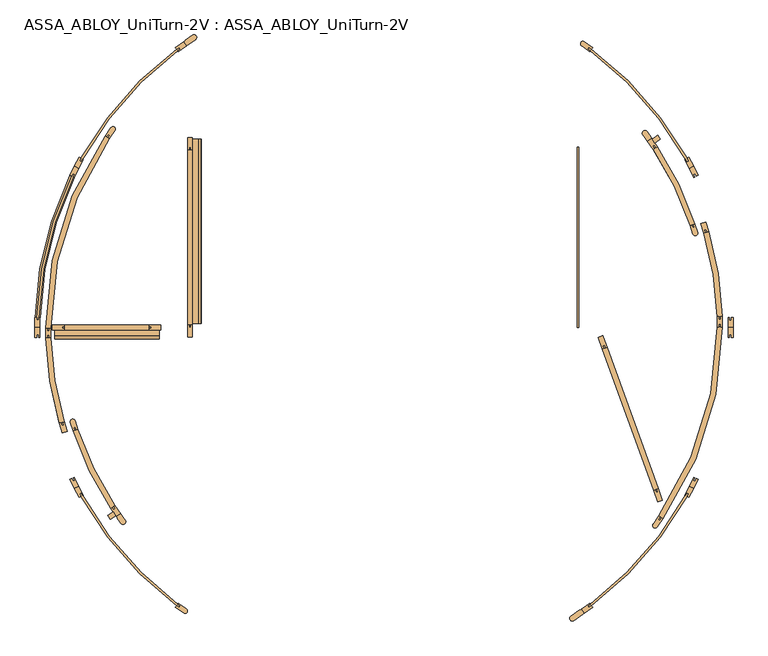
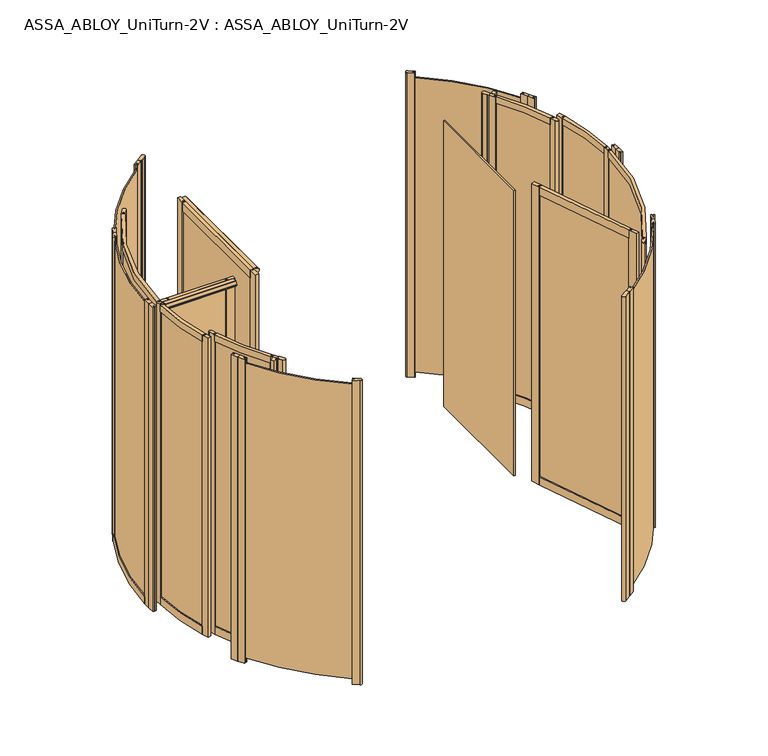
"""IFC4 building model written with IfcOpenShell, lengths in millimetres: door geometry, ASSA_ABLOY_UniTurn-2V : ASSA_ABLOY_UniTurn-2V."""

import ifcopenshell
import ifcopenshell.guid

model = None  # the IFC model being written
_history = None  # IfcOwnerHistory: only IFC2X3 demands one
_inside = {}  # id of a spatial element -> (the spatial element, [elements in it])
_under = {}  # id of a project, library or spatial element -> (it, [spatial elements below it])
_declared = {}  # id of a project -> (the project, [libraries it declares])
_typed = {}  # id of a type object -> (the type object, [elements of that type])
_made_of = {}  # id of a material, layer set ... -> (it, [elements and type objects made of it])


def new_model(schema):
    """Start an empty IFC model of exactly this schema.

    Asked for "IFC4X3", IfcOpenShell would pick the latest addendum, in which some entities
    have other attributes; the version numbers below select the first issue.
    IFC2X3 requires an IfcOwnerHistory on every rooted entity: one is made here for all.
    """
    global model, _history
    if schema == "IFC4X3":
        model = ifcopenshell.file(schema_version=(4, 3, 0, 0))
    else:
        model = ifcopenshell.file(schema=schema)
    _inside.clear()
    _under.clear()
    _declared.clear()
    _typed.clear()
    _made_of.clear()
    _history = None
    if model.schema == "IFC2X3":
        org = make("IfcOrganization", Name="unknown")
        user = make(
            "IfcPersonAndOrganization",
            ThePerson=make("IfcPerson", FamilyName="unknown"),
            TheOrganization=org,
        )
        app = make(
            "IfcApplication",
            ApplicationDeveloper=org,
            Version="unknown",
            ApplicationFullName="unknown",
            ApplicationIdentifier="unknown",
        )
        _history = make(
            "IfcOwnerHistory",
            OwningUser=user,
            OwningApplication=app,
            ChangeAction="ADDED",
            CreationDate=0,
        )
    return model


def make(cls, **values):
    """One entity of the class cls with the attributes given. An attribute that is None is left unset."""
    return model.create_entity(
        cls, **{name: value for name, value in values.items() if value is not None}
    )


def rooted(cls, **values):
    """An entity with a GlobalId (a new one), such as an element, a storey or a relation."""
    return make(cls, GlobalId=ifcopenshell.guid.new(), OwnerHistory=_history, **values)


def si_unit(unit_type, name, prefix=None):
    """IfcSIUnit, for example si_unit("LENGTHUNIT", "METRE", prefix="MILLI")."""
    return make("IfcSIUnit", UnitType=unit_type, Prefix=prefix, Name=name)


def assignment(units):
    """IfcUnitAssignment: the units of a project."""
    return None if units is None else make("IfcUnitAssignment", Units=units)


def point(xyz):
    """IfcCartesianPoint."""
    return None if xyz is None else make("IfcCartesianPoint", Coordinates=xyz)


def direction(xyz):
    """IfcDirection."""
    return None if xyz is None else make("IfcDirection", DirectionRatios=xyz)


def frame(location, z_axis=None, x_axis=None):
    """IfcAxis2Placement3D, a coordinate frame: its origin and axes. An axis left out is left unset."""
    return make(
        "IfcAxis2Placement3D",
        Location=point(location),
        Axis=direction(z_axis),
        RefDirection=direction(x_axis),
    )


def frame_2d(location, x_axis=None):
    """IfcAxis2Placement2D, a coordinate frame in the plane: its origin and x axis."""
    return make(
        "IfcAxis2Placement2D", Location=point(location), RefDirection=direction(x_axis)
    )


def origin():
    """The frame at (0, 0, 0) with its axes left unset."""
    return frame((0.0, 0.0, 0.0))


def origin_with_axes():
    """The frame at (0, 0, 0) with the z axis (0, 0, 1) and the x axis (1, 0, 0) written out."""
    return frame((0.0, 0.0, 0.0), z_axis=(0.0, 0.0, 1.0), x_axis=(1.0, 0.0, 0.0))


def place(relative_to, where):
    """IfcLocalPlacement: puts the frame where relative to a parent placement (None: the world)."""
    return make(
        "IfcLocalPlacement", PlacementRelTo=relative_to, RelativePlacement=where
    )


def context(
    kind, dimensions, precision=None, world=None, true_north=None, identifier=None
):
    """IfcGeometricRepresentationContext, for example the 3D "Model" context."""
    return make(
        "IfcGeometricRepresentationContext",
        ContextIdentifier=identifier,
        ContextType=kind,
        CoordinateSpaceDimension=dimensions,
        Precision=precision,
        WorldCoordinateSystem=world,
        TrueNorth=true_north,
    )


def project(units=None, contexts=None):
    """IfcProject with its units and contexts."""
    return rooted(
        "IfcProject",
        Name="project",
        RepresentationContexts=contexts,
        UnitsInContext=assignment(units),
    )


def spatial(cls, under=None, at=None, **own):
    """A site, building, storey or space (cls), placed at a placement, below another one or the project."""
    s = rooted(cls, ObjectPlacement=at, **own)
    if under is not None:
        _under.setdefault(under.id(), (under, []))[1].append(s)
    return s


def polyline(points):
    """IfcPolyline through the points."""
    return make("IfcPolyline", Points=[point(p) for p in points])


def circle_curve(where, radius):
    """IfcCircle in the frame where."""
    return make("IfcCircle", Position=where, Radius=radius)


def trimmed(basis, trim1, trim2, sense, master):
    """IfcTrimmedCurve: the piece of a basis curve between two trims."""
    return make(
        "IfcTrimmedCurve",
        BasisCurve=basis,
        Trim1=trim1,
        Trim2=trim2,
        SenseAgreement=sense,
        MasterRepresentation=master,
    )


def segment(curve, same_sense, transition):
    """IfcCompositeCurveSegment."""
    return make(
        "IfcCompositeCurveSegment",
        Transition=transition,
        SameSense=same_sense,
        ParentCurve=curve,
    )


def composite_curve(segments, self_intersect=None):
    """IfcCompositeCurve: segments joined end to end."""
    return make("IfcCompositeCurve", Segments=segments, SelfIntersect=self_intersect)


def outline(outer, holes=None, kind="AREA"):
    """IfcArbitraryClosedProfileDef: a profile drawn as a closed curve; with holes, ...WithVoids."""
    if holes is None:
        return make("IfcArbitraryClosedProfileDef", ProfileType=kind, OuterCurve=outer)
    return make(
        "IfcArbitraryProfileDefWithVoids",
        ProfileType=kind,
        OuterCurve=outer,
        InnerCurves=holes,
    )


def extrude(swept, where, along, depth):
    """IfcExtrudedAreaSolid: the profile swept, set in the frame where, extruded along a direction by depth."""
    return make(
        "IfcExtrudedAreaSolid",
        SweptArea=swept,
        Position=where,
        ExtrudedDirection=direction(along),
        Depth=depth,
    )


def shape(context_of_items, identifier, shape_type, items):
    """IfcShapeRepresentation: the items that make up one representation, for example the "Body"."""
    return make(
        "IfcShapeRepresentation",
        ContextOfItems=context_of_items,
        RepresentationIdentifier=identifier,
        RepresentationType=shape_type,
        Items=items,
    )


def source(mapping_origin, context_of_items, identifier, shape_type, items):
    """IfcRepresentationMap: a shape defined once, which mapped items show again and again."""
    return make(
        "IfcRepresentationMap",
        MappingOrigin=mapping_origin,
        MappedRepresentation=shape(context_of_items, identifier, shape_type, items),
    )


def transform(
    local_origin,
    x_axis=None,
    y_axis=None,
    z_axis=None,
    scale=None,
    scale2=None,
    scale3=None,
    uniform=True,
):
    """IfcCartesianTransformationOperator3D, or its non-uniform kind. x_axis, y_axis, z_axis: its Axis1, 2, 3."""
    if uniform:
        return make(
            "IfcCartesianTransformationOperator3D",
            Axis1=direction(x_axis),
            Axis2=direction(y_axis),
            LocalOrigin=point(local_origin),
            Scale=scale,
            Axis3=direction(z_axis),
        )
    return make(
        "IfcCartesianTransformationOperator3DnonUniform",
        Axis1=direction(x_axis),
        Axis2=direction(y_axis),
        LocalOrigin=point(local_origin),
        Scale=scale,
        Axis3=direction(z_axis),
        Scale2=scale2,
        Scale3=scale3,
    )


def mapped(mapping_source, mapping_target):
    """IfcMappedItem: shows the shape of a source again, moved by a transform."""
    return make(
        "IfcMappedItem", MappingSource=mapping_source, MappingTarget=mapping_target
    )


def made_of(thing, what):
    """Note that an element or type object is made of a material, layer set ...; save() writes the relation."""
    if what is not None:
        _made_of.setdefault(what.id(), (what, []))[1].append(thing)
    return thing


def element(
    cls,
    number,
    at=None,
    inside=None,
    cuts=None,
    type_object=None,
    material=None,
    context=None,
    identifier="Body",
    shape_type=None,
    held_by="IfcProductDefinitionShape",
    body=None,
    shapes=None,
    **own,
):
    """One element of the class cls, such as IfcWall. Its Tag is "e" and its number.

    at: its placement. inside: the storey or other place that contains it. cuts: it is an
    opening in that element (IfcRelVoidsElement). A single representation is given by context,
    identifier, shape_type and body (its items); several are given by shapes. held_by: the class
    of the entity that holds the representations. save() writes the other relations.
    """
    e = rooted(cls, Tag="e%d" % number, ObjectPlacement=at, **own)
    if body is not None:
        shapes = [shape(context, identifier, shape_type, body)]
    if shapes is not None:
        e.Representation = make(held_by, Representations=shapes)
    if inside is not None:
        _inside.setdefault(inside.id(), (inside, []))[1].append(e)
    if cuts is not None:
        rooted(
            "IfcRelVoidsElement", RelatingBuildingElement=cuts, RelatedOpeningElement=e
        )
    if type_object is not None:
        _typed.setdefault(type_object.id(), (type_object, []))[1].append(e)
    return made_of(e, material)


def aggregate(whole, parts):
    """IfcRelAggregates: a whole, such as a stair, and the parts it consists of."""
    return rooted("IfcRelAggregates", RelatingObject=whole, RelatedObjects=parts)


def save(model, path):
    """Write the relations noted so far, then the file.

    IfcRelAggregates (storeys below a building ...), IfcRelContainedInSpatialStructure (elements
    in a storey), IfcRelDefinesByType, IfcRelAssociatesMaterial and IfcRelDeclares: one each for
    every whole, place, type object, material and project.
    """
    for whole, parts in _under.values():
        aggregate(whole, parts)
    for where, things in _inside.values():
        rooted(
            "IfcRelContainedInSpatialStructure",
            RelatedElements=things,
            RelatingStructure=where,
        )
    for kind, things in _typed.values():
        rooted("IfcRelDefinesByType", RelatedObjects=things, RelatingType=kind)
    for what, things in _made_of.values():
        rooted("IfcRelAssociatesMaterial", RelatedObjects=things, RelatingMaterial=what)
    for by, libraries in _declared.values():
        rooted("IfcRelDeclares", RelatingContext=by, RelatedDefinitions=libraries)
    model.write(path)


def plane_surface(at):
    """IfcPlane: the flat surface through the origin of the frame at, square to its z axis."""
    return make("IfcPlane", Position=at)


def cylinder_surface(at, radius):
    """IfcCylindricalSurface: all points at the distance radius from the z axis of the frame at."""
    return make("IfcCylindricalSurface", Position=at, Radius=radius)


def revolved_surface(curve, axis_point, axis_direction):
    """IfcSurfaceOfRevolution: the curve turned about the line through axis_point along axis_direction."""
    return make(
        "IfcSurfaceOfRevolution",
        SweptCurve=make("IfcArbitraryOpenProfileDef", ProfileType="CURVE", Curve=curve),
        AxisPosition=make("IfcAxis1Placement", Location=point(axis_point), Axis=direction(axis_direction)),
    )


def advanced_brep(points, edges, surfaces, faces):
    """IfcAdvancedBrep: a solid bounded by faces that lie on surfaces and meet in shared edges.

    An edge is (start, end): straight between two places in points (the first is 0);
    or (start, end, curve); or (start, end, curve, False) where it runs against its curve.
    A face is (place in surfaces, loops), or (place, loops, False) where it looks against
    its surface's normal. A loop lists edges by number (the first is 1), with a minus sign
    where the edge is run from its end to its start. The first loop is the outer one.
    """
    corners = [point(p) for p in points]
    vertices = [make("IfcVertexPoint", VertexGeometry=c) for c in corners]
    made = []
    for start, end, *more in edges:
        made.append(
            make(
                "IfcEdgeCurve",
                EdgeStart=vertices[start],
                EdgeEnd=vertices[end],
                EdgeGeometry=more[0] if more else make("IfcPolyline", Points=[corners[start], corners[end]]),
                SameSense=more[1] if len(more) > 1 else True,
            )
        )
    hull = []
    for where, loops, *sense in faces:
        bounds = []
        for j, loop in enumerate(loops):
            ring = [make("IfcOrientedEdge", EdgeElement=made[abs(k) - 1], Orientation=k > 0) for k in loop]
            bounds.append(
                make(
                    "IfcFaceOuterBound" if j == 0 else "IfcFaceBound",
                    Bound=make("IfcEdgeLoop", EdgeList=ring),
                    Orientation=True,
                )
            )
        hull.append(make("IfcAdvancedFace", Bounds=bounds, FaceSurface=surfaces[where], SameSense=sense[0] if sense else True))
    return make("IfcAdvancedBrep", Outer=make("IfcClosedShell", CfsFaces=hull))


def assa_abloy_uniturn_2v_assa_abloy_uniturn_2v_db01d80e(model_context):
    return source(origin(), model_context, "Body", "SolidModel", [
        advanced_brep(
        [(-1700.2306704, 53.0, 56.0), (-1700.2306704, 53.0, 0.0), (-1674.2416247, 52.245345, 0.0), (-1674.2416247, 52.245345, 56.0), (-1679.2395181, 52.390471, 56.0), (-1679.2395181, 52.390471, 41.0), (-1689.2353049, 52.6807229, 41.0), (-1689.2353049, 52.6807229, 56.0), (-1518.4720542, 795.7861567, 56.0), (-1508.5716201, 790.9922642, 56.0), (-1508.5716201, 790.9922642, 41.0), (-1499.5712255, 786.6341801, 41.0), (-1499.5712255, 786.6341801, 56.0), (-1495.0710282, 784.4551381, 56.0), (-1495.0710282, 784.4551381, 0.0), (-1518.4720542, 795.7861567, 0.0)],
        [
            (0, 1),
            (1, 2),
            (2, 3),
            (3, 4),
            (4, 5),
            (5, 6),
            (6, 7),
            (7, 0),
            (8, 9),
            (9, 10),
            (10, 11),
            (11, 12),
            (12, 13),
            (13, 14),
            (14, 15),
            (15, 8),
            (15, 1, circle_curve(frame((125.0, 0.0, 0.0), z_axis=(0.0, 0.0, 1.0), x_axis=(-0.9995786803689732, 0.029025191675892625, 0.0)), 1826.0)),
            (0, 8, circle_curve(frame((125.0, 0.0, 56.0), z_axis=(0.0, 0.0, -1.0), x_axis=(-0.9995786803689732, 0.029025191675892625, 0.0)), 1826.0)),
            (14, 2, circle_curve(frame((125.0, 0.0, 0.0), z_axis=(0.0, 0.0, 1.0), x_axis=(-0.9995786803689732, 0.029025191675892625, 0.0)), 1800.0)),
            (13, 3, circle_curve(frame((125.0, 0.0, 56.0), z_axis=(0.0, 0.0, 1.0), x_axis=(-0.9995786803689732, 0.029025191675892625, 0.0)), 1800.0)),
            (12, 4, circle_curve(frame((125.0, 0.0, 56.0), z_axis=(0.0, 0.0, 1.0), x_axis=(-0.9995786803689732, 0.029025191675892625, 0.0)), 1805.0)),
            (11, 5, circle_curve(frame((125.0, 0.0, 41.0), z_axis=(0.0, 0.0, 1.0), x_axis=(-0.9995786803689732, 0.029025191675892625, 0.0)), 1805.0)),
            (10, 6, circle_curve(frame((125.0, 0.0, 41.0), z_axis=(0.0, 0.0, 1.0), x_axis=(-0.9995786803689732, 0.029025191675892625, 0.0)), 1815.0)),
            (9, 7, circle_curve(frame((125.0, 0.0, 56.0), z_axis=(0.0, 0.0, 1.0), x_axis=(-0.9995786803689732, 0.029025191675892625, 0.0)), 1815.0)),
        ],
        [
            plane_surface(frame((-1700.2306704, 53.0, 0.0), z_axis=(-0.02902519167589263, -0.9995786803689732, 0.0), x_axis=(0.0, 0.0, 1.0))),
            plane_surface(frame((-1518.4720542, 795.7861567, 0.0), z_axis=(0.43580841002827103, 0.9000394601064059, 0.0), x_axis=(0.0, 0.0, 1.0))),
            cylinder_surface(frame((125.0, 0.0, 0.0), z_axis=(0.0, 0.0, -1.0000000000000002), x_axis=(-0.9995786803689732, 0.029025191675892625, 0.0)), 1826.0),
            plane_surface(frame((125.0, 0.0, 0.0), z_axis=(0.0, 0.0, -1.0000000000000002), x_axis=(-0.9995786803689732, 0.029025191675892625, 0.0))),
            revolved_surface(polyline([(-1674.241624664152, 52.24534501660673, 0.0), (-1674.241624664152, 52.24534501660673, 56.00000000000003)]), (125.0, 0.0, 0.0), (0.0, 0.0, -1.0000000000000002)),
            plane_surface(frame((125.0, 0.0, 56.0), z_axis=(0.0, 0.0, 1.0000000000000002), x_axis=(-0.9995786803689732, 0.029025191675892625, 0.0))),
            cylinder_surface(frame((125.0, 0.0, 0.0), z_axis=(0.0, 0.0, -1.0000000000000002), x_axis=(-0.9995786803689732, 0.029025191675892625, 0.0)), 1805.0),
            plane_surface(frame((125.0, 0.0, 41.0), z_axis=(0.0, 0.0, 1.0000000000000002), x_axis=(-0.9995786803689732, 0.029025191675892625, 0.0))),
            revolved_surface(polyline([(-1689.2353048696864, 52.68072289174511, 41.000000000000014), (-1689.2353048696864, 52.68072289174511, 56.00000000000003)]), (125.0, 0.0, 0.0), (0.0, 0.0, -1.0000000000000002)),
        ],
        [
            (0, [[1, 2, 3, 4, 5, 6, 7, 8]]),
            (1, [[9, 10, 11, 12, 13, 14, 15, 16]]),
            (2, [[17, -1, 18, -16]]),
            (3, [[19, -2, -17, -15]]),
            (4, [[20, -3, -19, -14]]),
            (5, [[21, -4, -20, -13]]),
            (6, [[22, -5, -21, -12]]),
            (7, [[23, -6, -22, -11]]),
            (8, [[24, -7, -23, -10]]),
            (5, [[-18, -8, -24, -9]]),
        ],
    ),
        extrude(outline(composite_curve([segment(polyline([(-907.4375854, 1474.4736797), (-922.3505728, 1495.7716329), (-913.9952219, 1501.6221125), (-914.5687984, 1502.4412646), (-877.0516347, 1528.7110654)]), True, "CONTINUOUS"), segment(trimmed(circle_curve(frame_2d((-869.0215646, 1517.2429367)), 14.0), [point((-877.0516347, 1528.7110654))], [point((-860.9914945, 1505.7748081))], False, "CARTESIAN"), True, "CONTINUOUS"), segment(polyline([(-860.9914945, 1505.7748081), (-898.5086581, 1479.5050073), (-899.0822346, 1480.3241594), (-907.4375854, 1474.4736797)]), True, "CONTINUOUS")], self_intersect=False)), origin_with_axes(), (0.0, 0.0, 1.0), 2500.0),
        extrude(outline(composite_curve([segment(polyline([(1172.3505728, -1495.7716329), (1163.9952219, -1501.6221125), (1164.5687984, -1502.4412646), (1118.6962839, -1534.561545)]), True, "CONTINUOUS"), segment(trimmed(circle_curve(frame_2d((1110.6662138, -1523.0934164)), 14.0), [point((1118.6962839, -1534.561545))], [point((1102.6361437, -1511.6252878))], False, "CARTESIAN"), True, "CONTINUOUS"), segment(polyline([(1102.6361437, -1511.6252878), (1148.5086581, -1479.5050073), (1149.0822346, -1480.3241594), (1157.4375854, -1474.4736797), (1172.3505728, -1495.7716329)]), True, "CONTINUOUS")], self_intersect=False)), origin_with_axes(), (0.0, 0.0, 1.0), 2500.0),
        extrude(outline(composite_curve([segment(polyline([(1701.7592796, -880.5601708), (1709.1472574, -866.3679974), (1718.0173657, -870.9854836), (1710.6293879, -885.1776569)]), True, "CONTINUOUS"), segment(trimmed(circle_curve(frame_2d((125.0, 0.0)), 1815.9735791), [point((1710.6293879, -885.1776569))], [point((1209.5710056, -1456.5252397))], False, "CARTESIAN"), True, "CONTINUOUS"), segment(polyline([(1209.5710056, -1456.5252397), (1196.4645729, -1465.7024626), (1190.7288085, -1457.5109422), (1203.8352412, -1448.3337192)]), True, "CONTINUOUS"), segment(trimmed(circle_curve(frame_2d((125.0, 0.0)), 1805.9778625), [point((1203.8352412, -1448.3337192))], [point((1701.7592796, -880.5601708))], True, "CARTESIAN"), True, "CONTINUOUS")], self_intersect=False)), frame((0.0, 0.0, 41.0), z_axis=(0.0, 0.0, 1.0), x_axis=(1.0, 0.0, 0.0)), (0.0, 0.0, 1.0), 2421.0),
        extrude(outline(composite_curve([segment(trimmed(circle_curve(frame_2d((125.0, 0.0)), 1815.9651017), [point((1209.3324154, 1456.6923023))], [point((1710.763879, 884.9193018))], False, "CARTESIAN"), True, "CONTINUOUS"), segment(polyline([(1710.763879, 884.9193018), (1718.0173657, 870.9854836), (1709.1472574, 866.3679974), (1701.7592796, 880.5601708)]), True, "CONTINUOUS"), segment(trimmed(circle_curve(frame_2d((125.0, 0.0)), 1805.9778625), [point((1701.7592796, 880.5601708))], [point((1203.8352412, 1448.3337192))], True, "CARTESIAN"), True, "CONTINUOUS"), segment(polyline([(1203.8352412, 1448.3337192), (1190.7288085, 1457.5109422), (1196.4645729, 1465.7024626), (1209.3324154, 1456.6923023)]), True, "CONTINUOUS")], self_intersect=False)), frame((0.0, 0.0, 41.0), z_axis=(0.0, 0.0, 1.0), x_axis=(1.0, 0.0, 0.0)), (0.0, 0.0, 1.0), 2421.0),
        extrude(outline(polyline([(1172.3505728, -1495.7716329), (1157.4375854, -1474.4736797), (1200.8526438, -1444.0741286), (1203.8352412, -1448.3337192), (1190.7288085, -1457.5109422), (1196.4645729, -1465.7024626), (1209.5710056, -1456.5252397), (1215.7656311, -1465.3720817), (1172.3505728, -1495.7716329)])), origin_with_axes(), (0.0, 0.0, 1.0), 2500.0),
        extrude(outline(polyline([(1744.6817814, -843.1529678), (1720.2091049, -890.1645419), (1710.6293879, -885.1776569), (1718.0173657, -870.9854836), (1709.1472574, -866.3679974), (1701.7592796, -880.5601708), (1697.1468232, -878.159078), (1721.6194997, -831.1475038), (1744.6817814, -843.1529678)])), origin_with_axes(), (0.0, 0.0, 1.0), 2500.0),
        extrude(outline(polyline([(1744.6817814, -843.1529678), (1721.6194997, -831.1475038), (1746.0921762, -784.1359297), (1750.7046326, -786.5370225), (1743.3166547, -800.7291958), (1752.1867631, -805.3466819), (1759.5747409, -791.1545086), (1769.1544579, -796.1413936), (1744.6817814, -843.1529678)])), origin_with_axes(), (0.0, 0.0, 1.0), 2500.0),
        extrude(outline(composite_curve([segment(polyline([(1215.7656311, 1465.3720817), (1209.5710056, 1456.5252397), (1196.4645729, 1465.7024626), (1190.7288085, 1457.5109422), (1203.8352412, 1448.3337192), (1200.8526438, 1444.0741286), (1158.4205679, 1473.785388)]), True, "CONTINUOUS"), segment(trimmed(circle_curve(frame_2d((1165.8770616, 1484.4343646)), 13.0), [point((1158.4205679, 1473.785388))], [point((1173.3335552, 1495.0833411))], False, "CARTESIAN"), True, "CONTINUOUS"), segment(polyline([(1173.3335552, 1495.0833411), (1215.7656311, 1465.3720817)]), True, "CONTINUOUS")], self_intersect=False)), origin_with_axes(), (0.0, 0.0, 1.0), 2500.0),
        extrude(outline(polyline([(1744.6817814, 843.1529678), (1769.1544579, 796.1413936), (1759.5747409, 791.1545086), (1752.1867631, 805.3466819), (1743.3166547, 800.7291958), (1750.7046326, 786.5370225), (1746.0921762, 784.1359297), (1721.6194997, 831.1475038), (1744.6817814, 843.1529678)])), origin_with_axes(), (0.0, 0.0, 1.0), 2500.0),
        extrude(outline(polyline([(1744.6817814, 843.1529678), (1721.6194997, 831.1475038), (1697.1468232, 878.159078), (1701.7592796, 880.5601708), (1709.1472574, 866.3679974), (1718.0173657, 870.9854836), (1710.6293879, 885.1776569), (1720.2091049, 890.1645419), (1744.6817814, 843.1529678)])), origin_with_axes(), (0.0, 0.0, 1.0), 2500.0),
        extrude(outline(polyline([(1951.0, 0.0), (1951.0, -53.0), (1940.2, -53.0), (1940.2, -37.0), (1930.2, -37.0), (1930.2, -53.0), (1925.0, -53.0), (1925.0, 0.0), (1951.0, 0.0)])), origin_with_axes(), (0.0, 0.0, 1.0), 2500.0),
        extrude(outline(polyline([(1951.0, 0.0), (1925.0, 0.0), (1925.0, 53.0), (1930.2, 53.0), (1930.2, 37.0), (1940.2, 37.0), (1940.2, 53.0), (1951.0, 53.0), (1951.0, 0.0)])), origin_with_axes(), (0.0, 0.0, 1.0), 2500.0),
        extrude(outline(composite_curve([segment(polyline([(-953.8352412, -1448.3337192), (-941.5479606, -1456.9373658), (-947.2837249, -1465.1288862), (-959.5710056, -1456.5252397)]), True, "CONTINUOUS"), segment(trimmed(circle_curve(frame_2d((125.0, 0.0)), 1815.9735791), [point((-959.5710056, -1456.5252397))], [point((-1460.6293879, -885.1776569))], False, "CARTESIAN"), True, "CONTINUOUS"), segment(polyline([(-1460.6293879, -885.1776569), (-1467.5556171, -871.8724944), (-1458.6855088, -867.2550083), (-1451.7592795, -880.5601708)]), True, "CONTINUOUS"), segment(trimmed(circle_curve(frame_2d((125.0, 0.0)), 1805.9778625), [point((-1451.7592795, -880.5601708))], [point((-953.8352412, -1448.3337192))], True, "CARTESIAN"), True, "CONTINUOUS")], self_intersect=False)), frame((0.0, 0.0, 41.0), z_axis=(0.0, 0.0, 1.0), x_axis=(1.0, 0.0, 0.0)), (0.0, 0.0, 1.0), 2421.0),
        extrude(outline(composite_curve([segment(trimmed(circle_curve(frame_2d((125.0, 0.0)), 1805.9778625), [point((-953.8352412, 1448.3337192))], [point((-1451.7592796, 880.5601708))], True, "CARTESIAN"), True, "CONTINUOUS"), segment(polyline([(-1451.7592796, 880.5601708), (-1458.6855088, 867.2550083), (-1467.5556171, 871.8724944), (-1460.6293879, 885.1776569)]), True, "CONTINUOUS"), segment(trimmed(circle_curve(frame_2d((125.0, 0.0)), 1815.9735791), [point((-1460.6293879, 885.1776569))], [point((-959.5710056, 1456.5252397))], False, "CARTESIAN"), True, "CONTINUOUS"), segment(polyline([(-959.5710056, 1456.5252397), (-947.2837249, 1465.1288862), (-941.5479606, 1456.9373658), (-953.8352412, 1448.3337192)]), True, "CONTINUOUS")], self_intersect=False)), frame((0.0, 0.0, 41.0), z_axis=(0.0, 0.0, 1.0), x_axis=(1.0, 0.0, 0.0)), (0.0, 0.0, 1.0), 2421.0),
        extrude(outline(composite_curve([segment(trimmed(circle_curve(frame_2d((125.0, 0.0)), 1805.9778625), [point((-1500.7046326, 786.5370225))], [point((-1680.2, 53.0))], True, "CARTESIAN"), True, "CONTINUOUS"), segment(polyline([(-1680.2, 53.0), (-1680.2, 38.0), (-1690.2, 38.0), (-1690.2, 53.0)]), True, "CONTINUOUS"), segment(trimmed(circle_curve(frame_2d((125.0, 0.0)), 1815.9735791), [point((-1690.2, 53.0))], [point((-1509.5747409, 791.1545086))], False, "CARTESIAN"), True, "CONTINUOUS"), segment(polyline([(-1509.5747409, 791.1545086), (-1502.6485117, 804.4596711), (-1493.7784034, 799.842185), (-1500.7046326, 786.5370225)]), True, "CONTINUOUS")], self_intersect=False)), frame((0.0, 0.0, 41.0), z_axis=(0.0, 0.0, 1.0), x_axis=(1.0, 0.0, 0.0)), (0.0, 0.0, 1.0), 2421.0),
        extrude(outline(polyline([(-1494.6773084, -843.1615602), (-1471.6150268, -831.1560963), (-1447.1468232, -878.159078), (-1451.7592796, -880.5601708), (-1458.6855088, -867.2550083), (-1467.5556171, -871.8724944), (-1460.6293879, -885.1776569), (-1470.2091049, -890.1645419), (-1494.6773084, -843.1615602)])), origin_with_axes(), (0.0, 0.0, 1.0), 2500.0),
        extrude(outline(polyline([(-1494.6817814, -843.1529678), (-1519.1544579, -796.1413936), (-1509.5747409, -791.1545086), (-1502.6485117, -804.4596711), (-1493.7784034, -799.842185), (-1500.7046326, -786.5370225), (-1496.0921762, -784.1359297), (-1471.6194997, -831.1475038), (-1494.6817814, -843.1529678)])), origin_with_axes(), (0.0, 0.0, 1.0), 2500.0),
        extrude(outline(composite_curve([segment(polyline([(-965.7656311, -1465.3720817), (-959.5710056, -1456.5252397), (-947.2837249, -1465.1288862), (-941.5479606, -1456.9373658), (-953.8352412, -1448.3337192), (-950.8526438, -1444.0741286), (-908.4205679, -1473.785388)]), True, "CONTINUOUS"), segment(trimmed(circle_curve(frame_2d((-915.8770616, -1484.4343646)), 13.0), [point((-908.4205679, -1473.785388))], [point((-923.3335552, -1495.0833411))], False, "CARTESIAN"), True, "CONTINUOUS"), segment(polyline([(-923.3335552, -1495.0833411), (-965.7656311, -1465.3720817)]), True, "CONTINUOUS")], self_intersect=False)), origin_with_axes(), (0.0, 0.0, 1.0), 2500.0),
        extrude(outline(polyline([(-922.3505728, 1495.7716329), (-907.4375854, 1474.4736797), (-950.8526438, 1444.0741286), (-953.8352412, 1448.3337192), (-941.5479606, 1456.9373658), (-947.2837249, 1465.1288862), (-959.5710056, 1456.5252397), (-965.7656311, 1465.3720817), (-922.3505728, 1495.7716329)])), origin_with_axes(), (0.0, 0.0, 1.0), 2500.0),
        extrude(outline(polyline([(-1494.6817814, 843.1529678), (-1471.6194997, 831.1475038), (-1496.0921762, 784.1359297), (-1500.7046326, 786.5370225), (-1493.7784034, 799.842185), (-1502.6485117, 804.4596711), (-1509.5747409, 791.1545086), (-1519.1544579, 796.1413936), (-1494.6817814, 843.1529678)])), origin_with_axes(), (0.0, 0.0, 1.0), 2500.0),
        extrude(outline(polyline([(-1494.6817814, 843.1529678), (-1470.2091049, 890.1645419), (-1460.6293879, 885.1776569), (-1467.5556171, 871.8724944), (-1458.6855088, 867.2550083), (-1451.7592796, 880.5601708), (-1447.1468232, 878.159078), (-1471.6194997, 831.1475038), (-1494.6817814, 843.1529678)])), origin_with_axes(), (0.0, 0.0, 1.0), 2500.0),
        extrude(outline(polyline([(-1701.0, 0.0), (-1675.0, 0.0), (-1675.0, -53.0), (-1680.2, -53.0), (-1680.2, -38.0), (-1690.2, -38.0), (-1690.2, -53.0), (-1701.0, -53.0), (-1701.0, 0.0)])), origin_with_axes(), (0.0, 0.0, 1.0), 2500.0),
        extrude(outline(polyline([(-1700.8261964, 0.0), (-1700.8261964, 53.0), (-1690.2, 53.0), (-1690.2, 38.0), (-1680.2, 38.0), (-1680.2, 53.0), (-1675.0, 53.0), (-1675.0, 0.0), (-1700.8261964, 0.0)])), origin_with_axes(), (0.0, 0.0, 1.0), 2500.0),
        extrude(outline(composite_curve([segment(trimmed(circle_curve(frame_2d((125.0, 0.0)), 1770.0), [point((-1644.997187, -3.1556429))], [point((-1333.8407002, 1002.3391699))], False, "CARTESIAN"), True, "CONTINUOUS"), segment(polyline([(-1333.8407002, 1002.3391699), (-1312.4114018, 987.6155436)]), True, "CONTINUOUS"), segment(trimmed(circle_curve(frame_2d((125.0, 0.0)), 1744.0), [point((-1312.4114018, 987.6155436))], [point((-1618.9972283, -3.1092888))], True, "CARTESIAN"), True, "CONTINUOUS"), segment(polyline([(-1618.9972283, -3.1092888), (-1644.997187, -3.1556429)]), True, "CONTINUOUS")], self_intersect=False)), frame((0.0, 0.0, 2447.0), z_axis=(0.0, 0.0, 1.0), x_axis=(1.0, 0.0, 0.0)), (0.0, 0.0, 1.0), 53.0),
        extrude(outline(composite_curve([segment(trimmed(circle_curve(frame_2d((125.0, 0.0)), 1770.0), [point((-1572.6176373, -500.9933707))], [point((-1644.109205, -56.1482036))], False, "CARTESIAN"), True, "CONTINUOUS"), segment(polyline([(-1644.109205, -56.1482036), (-1618.1222901, -55.3234277)]), True, "CONTINUOUS"), segment(trimmed(circle_curve(frame_2d((125.0, 0.0)), 1744.0), [point((-1618.1222901, -55.3234277))], [point((-1547.6808811, -493.634146))], True, "CARTESIAN"), True, "CONTINUOUS"), segment(polyline([(-1547.6808811, -493.634146), (-1572.6176373, -500.9933707)]), True, "CONTINUOUS")], self_intersect=False)), frame((0.0, 0.0, 2447.0), z_axis=(0.0, 0.0, 1.0), x_axis=(1.0, 0.0, 0.0)), (0.0, 0.0, 1.0), 53.0),
        extrude(outline(composite_curve([segment(trimmed(circle_curve(frame_2d((125.0, 0.0)), 1714.18), [point((-1304.3608285, -946.2244419))], [point((-1501.3005929, -541.8112716))], False, "CARTESIAN"), True, "CONTINUOUS"), segment(polyline([(-1501.3005929, -541.8112716), (-1476.6335127, -533.5932939)]), True, "CONTINUOUS"), segment(trimmed(circle_curve(frame_2d((125.0, 0.0)), 1688.18), [point((-1476.6335127, -533.5932939))], [point((-1282.6808523, -931.8724861))], True, "CARTESIAN"), True, "CONTINUOUS"), segment(polyline([(-1282.6808523, -931.8724861), (-1304.3608285, -946.2244419)]), True, "CONTINUOUS")], self_intersect=False)), frame((0.0, 0.0, 2447.0), z_axis=(0.0, 0.0, 1.0), x_axis=(1.0, 0.0, 0.0)), (0.0, 0.0, 1.0), 53.0),
        extrude(outline(polyline([(-1277.2698299, -985.8486568), (-1306.1522531, -1005.6174613), (-1320.8376507, -984.161947), (-1291.9552275, -964.3931425), (-1277.2698299, -985.8486568)])), frame((0.0, 0.0, 40.0), z_axis=(0.0, 0.0, 1.0), x_axis=(1.0, 0.0, 0.0)), (0.0, 0.0, 1.0), 2460.0),
        extrude(outline(composite_curve([segment(polyline([(-1252.9902006, -975.2893197), (-1247.2835329, -983.6268189), (-1246.4583208, -983.0619959), (-1228.2729762, -1009.6309681)]), True, "CONTINUOUS"), segment(trimmed(circle_curve(frame_2d((-1240.4124924, -1016.6815389)), 14.0384615), [point((-1228.2729762, -1009.6309681))], [point((-1251.3789148, -1025.4460117))], False, "CARTESIAN"), True, "CONTINUOUS"), segment(polyline([(-1251.3789148, -1025.4460117), (-1269.5662149, -998.8741824), (-1268.7410028, -998.3093594), (-1274.445715, -989.9747173), (-1252.9902006, -975.2893197)]), True, "CONTINUOUS")], self_intersect=False)), frame((0.0, 0.0, 40.0), z_axis=(0.0, 0.0, 1.0), x_axis=(1.0, 0.0, 0.0)), (0.0, 0.0, 1.0), 2460.0),
        extrude(outline(polyline([(-1274.445715, -989.9747173), (-1304.3813332, -946.2384765), (-1297.7796364, -941.7198926), (-1289.3072917, -954.098074), (-1281.0551708, -948.4498441), (-1289.5275155, -936.0716627), (-1282.9258188, -931.5530789), (-1252.9902006, -975.2893197), (-1274.445715, -989.9747173)])), frame((0.0, 0.0, 40.0), z_axis=(0.0, 0.0, 1.0), x_axis=(1.0, 0.0, 0.0)), (0.0, 0.0, 1.0), 2460.0),
        extrude(outline(composite_curve([segment(polyline([(-1501.3242854, -541.81876), (-1515.4887481, -497.0039411)]), True, "CONTINUOUS"), segment(trimmed(circle_curve(frame_2d((-1503.0931599, -493.086111)), 13.0), [point((-1515.4887481, -497.0039411))], [point((-1490.6975716, -489.1682809))], False, "CARTESIAN"), True, "CONTINUOUS"), segment(polyline([(-1490.6975716, -489.1682809), (-1476.533109, -533.9830998), (-1484.1611632, -536.3940722), (-1488.6817364, -522.0914704), (-1498.2168043, -525.1051859), (-1493.6962311, -539.4077877), (-1501.3242854, -541.81876)]), True, "CONTINUOUS")], self_intersect=False)), frame((0.0, 0.0, 40.0), z_axis=(0.0, 0.0, 1.0), x_axis=(1.0, 0.0, 0.0)), (0.0, 0.0, 1.0), 2460.0),
        extrude(outline(polyline([(-1572.6415731, -501.0008258), (-1565.0034867, -498.6218268), (-1560.5428636, -512.9432388), (-1550.9952556, -509.9694901), (-1555.4558787, -495.6480781), (-1547.8177923, -493.2690791), (-1532.056924, -543.8714015), (-1556.8807048, -551.6031482), (-1572.6415731, -501.0008258)])), frame((0.0, 0.0, 40.0), z_axis=(0.0, 0.0, 1.0), x_axis=(1.0, 0.0, 0.0)), (0.0, 0.0, 1.0), 2460.0),
        extrude(outline(composite_curve([segment(polyline([(-1333.8611481, 1002.3536746), (-1303.7755279, 1044.7665907)]), True, "CONTINUOUS"), segment(trimmed(circle_curve(frame_2d((-1293.1722989, 1037.2451857)), 13.0), [point((-1303.7755279, 1044.7665907))], [point((-1282.5690698, 1029.7237807))], False, "CARTESIAN"), True, "CONTINUOUS"), segment(polyline([(-1282.5690698, 1029.7237807), (-1312.65469, 987.3108645), (-1319.179754, 991.9394214), (-1310.5012097, 1004.1739165), (-1318.6575398, 1009.9596127), (-1327.336084, 997.7251176), (-1333.8611481, 1002.3536746)]), True, "CONTINUOUS")], self_intersect=False)), frame((0.0, 0.0, 40.0), z_axis=(0.0, 0.0, 1.0), x_axis=(1.0, 0.0, 0.0)), (0.0, 0.0, 1.0), 2460.0),
        extrude(outline(polyline([(-1644.1342714, -56.1486236), (-1645.0222534, -3.1560629), (-1637.0233763, -3.0220279), (-1636.7720607, -18.0199224), (-1626.7734643, -17.8523786), (-1627.02478, -2.8544841), (-1619.0259029, -2.7204491), (-1618.1379209, -55.7130098), (-1626.136798, -55.8470448), (-1626.3881136, -40.8491503), (-1636.38671, -41.016694), (-1636.1353943, -56.0145886), (-1644.1342714, -56.1486236)])), frame((0.0, 0.0, 40.0), z_axis=(0.0, 0.0, 1.0), x_axis=(1.0, 0.0, 0.0)), (0.0, 0.0, 1.0), 2460.0),
        extrude(outline(composite_curve([segment(trimmed(circle_curve(frame_2d((125.0, 0.0)), 1706.18), [point((-1289.3938312, -954.2223444))], [point((-1498.3679996, -525.0966867))], False, "CARTESIAN"), True, "CONTINUOUS"), segment(polyline([(-1498.3679996, -525.0966867), (-1488.8533645, -522.0190707)]), True, "CONTINUOUS"), segment(trimmed(circle_curve(frame_2d((125.0, 0.0)), 1696.18), [point((-1488.8533645, -522.0190707))], [point((-1281.1040035, -948.6296031))], True, "CARTESIAN"), True, "CONTINUOUS"), segment(polyline([(-1281.1040035, -948.6296031), (-1289.3938312, -954.2223444)]), True, "CONTINUOUS")], self_intersect=False)), frame((0.0, 0.0, 105.0), z_axis=(0.0, 0.0, 1.0), x_axis=(1.0, 0.0, 0.0)), (0.0, 0.0, 1.0), 2342.0),
        extrude(outline(composite_curve([segment(trimmed(circle_curve(frame_2d((125.0, 0.0)), 1762.0), [point((-1560.6573752, -513.0333455))], [point((-1636.5236883, -40.9670046))], False, "CARTESIAN"), True, "CONTINUOUS"), segment(polyline([(-1636.5236883, -40.9670046), (-1626.5263916, -40.7345018)]), True, "CONTINUOUS"), segment(trimmed(circle_curve(frame_2d((125.0, 0.0)), 1752.0), [point((-1626.5263916, -40.7345018))], [point((-1551.0906477, -510.121692))], True, "CARTESIAN"), True, "CONTINUOUS"), segment(polyline([(-1551.0906477, -510.121692), (-1560.6573752, -513.0333455)]), True, "CONTINUOUS")], self_intersect=False)), frame((0.0, 0.0, 105.0), z_axis=(0.0, 0.0, 1.0), x_axis=(1.0, 0.0, 0.0)), (0.0, 0.0, 1.0), 2342.0),
        extrude(outline(composite_curve([segment(trimmed(circle_curve(frame_2d((125.0, 0.0)), 1762.0), [point((-1636.9072973, -18.0741732))], [point((-1318.7384966, 1010.0807659))], False, "CARTESIAN"), True, "CONTINUOUS"), segment(polyline([(-1318.7384966, 1010.0807659), (-1310.544748, 1004.3481849)]), True, "CONTINUOUS"), segment(trimmed(circle_curve(frame_2d((125.0, 0.0)), 1752.0), [point((-1310.544748, 1004.3481849))], [point((-1626.9078234, -17.9715956))], True, "CARTESIAN"), True, "CONTINUOUS"), segment(polyline([(-1626.9078234, -17.9715956), (-1636.9072973, -18.0741732)]), True, "CONTINUOUS")], self_intersect=False)), frame((0.0, 0.0, 105.0), z_axis=(0.0, 0.0, 1.0), x_axis=(1.0, 0.0, 0.0)), (0.0, 0.0, 1.0), 2342.0),
        extrude(outline(composite_curve([segment(trimmed(circle_curve(frame_2d((125.0, 0.0)), 1770.0), [point((-1644.997187, -3.1556429))], [point((-1333.8407002, 1002.3391699))], False, "CARTESIAN"), True, "CONTINUOUS"), segment(polyline([(-1333.8407002, 1002.3391699), (-1312.4114018, 987.6155436)]), True, "CONTINUOUS"), segment(trimmed(circle_curve(frame_2d((125.0, 0.0)), 1744.0), [point((-1312.4114018, 987.6155436))], [point((-1618.9972283, -3.1092888))], True, "CARTESIAN"), True, "CONTINUOUS"), segment(polyline([(-1618.9972283, -3.1092888), (-1644.997187, -3.1556429)]), True, "CONTINUOUS")], self_intersect=False)), frame((0.0, 0.0, 40.0), z_axis=(0.0, 0.0, 1.0), x_axis=(1.0, 0.0, 0.0)), (0.0, 0.0, 1.0), 65.0),
        extrude(outline(composite_curve([segment(trimmed(circle_curve(frame_2d((125.0, 0.0)), 1770.0), [point((-1572.6176373, -500.9933707))], [point((-1644.109205, -56.1482036))], False, "CARTESIAN"), True, "CONTINUOUS"), segment(polyline([(-1644.109205, -56.1482036), (-1618.1222901, -55.3234277)]), True, "CONTINUOUS"), segment(trimmed(circle_curve(frame_2d((125.0, 0.0)), 1744.0), [point((-1618.1222901, -55.3234277))], [point((-1547.6808811, -493.634146))], True, "CARTESIAN"), True, "CONTINUOUS"), segment(polyline([(-1547.6808811, -493.634146), (-1572.6176373, -500.9933707)]), True, "CONTINUOUS")], self_intersect=False)), frame((0.0, 0.0, 40.0), z_axis=(0.0, 0.0, 1.0), x_axis=(1.0, 0.0, 0.0)), (0.0, 0.0, 1.0), 65.0),
        extrude(outline(composite_curve([segment(trimmed(circle_curve(frame_2d((125.0, 0.0)), 1714.2740759), [point((-1304.4384703, -946.2775845))], [point((-1501.3903056, -541.8396268))], False, "CARTESIAN"), True, "CONTINUOUS"), segment(polyline([(-1501.3903056, -541.8396268), (-1476.7232185, -533.62167)]), True, "CONTINUOUS"), segment(trimmed(circle_curve(frame_2d((125.0, 0.0)), 1688.2740759), [point((-1476.7232185, -533.62167))], [point((-1282.7585064, -931.9256103))], True, "CARTESIAN"), True, "CONTINUOUS"), segment(polyline([(-1282.7585064, -931.9256103), (-1304.4384703, -946.2775845)]), True, "CONTINUOUS")], self_intersect=False)), frame((0.0, 0.0, 40.0), z_axis=(0.0, 0.0, 1.0), x_axis=(1.0, 0.0, 0.0)), (0.0, 0.0, 1.0), 65.0),
        extrude(outline(polyline([(1527.2698299, 985.8486568), (1556.1522531, 1005.6174613), (1570.8376507, 984.161947), (1541.9552275, 964.3931425), (1527.2698299, 985.8486568)])), frame((0.0, 0.0, 40.0), z_axis=(0.0, 0.0, 1.0), x_axis=(1.0, 0.0, 0.0)), (0.0, 0.0, 1.0), 2460.0),
        extrude(outline(composite_curve([segment(polyline([(1502.9902006, 975.2893197), (1497.2835329, 983.6268189), (1496.4583208, 983.0619959), (1478.2729762, 1009.6309681)]), True, "CONTINUOUS"), segment(trimmed(circle_curve(frame_2d((1490.4124924, 1016.6815389)), 14.0384615), [point((1478.2729762, 1009.6309681))], [point((1501.3789148, 1025.4460117))], False, "CARTESIAN"), True, "CONTINUOUS"), segment(polyline([(1501.3789148, 1025.4460117), (1519.5662149, 998.8741824), (1518.7410028, 998.3093594), (1524.445715, 989.9747173), (1502.9902006, 975.2893197)]), True, "CONTINUOUS")], self_intersect=False)), frame((0.0, 0.0, 40.0), z_axis=(0.0, 0.0, 1.0), x_axis=(1.0, 0.0, 0.0)), (0.0, 0.0, 1.0), 2460.0),
        extrude(outline(polyline([(1524.445715, 989.9747173), (1554.3813332, 946.2384765), (1547.7796364, 941.7198926), (1539.3072917, 954.098074), (1531.0551708, 948.4498441), (1539.5275155, 936.0716627), (1532.9258188, 931.5530789), (1502.9902006, 975.2893197), (1524.445715, 989.9747173)])), frame((0.0, 0.0, 40.0), z_axis=(0.0, 0.0, 1.0), x_axis=(1.0, 0.0, 0.0)), (0.0, 0.0, 1.0), 2460.0),
        extrude(outline(composite_curve([segment(polyline([(1751.3242854, 541.81876), (1765.4887481, 497.0039411)]), True, "CONTINUOUS"), segment(trimmed(circle_curve(frame_2d((1753.0931599, 493.086111)), 13.0), [point((1765.4887481, 497.0039411))], [point((1740.6975716, 489.1682809))], False, "CARTESIAN"), True, "CONTINUOUS"), segment(polyline([(1740.6975716, 489.1682809), (1726.533109, 533.9830998), (1734.1611632, 536.3940722), (1738.6817364, 522.0914704), (1748.2168043, 525.1051859), (1743.6962311, 539.4077877), (1751.3242854, 541.81876)]), True, "CONTINUOUS")], self_intersect=False)), frame((0.0, 0.0, 40.0), z_axis=(0.0, 0.0, 1.0), x_axis=(1.0, 0.0, 0.0)), (0.0, 0.0, 1.0), 2460.0),
        extrude(outline(polyline([(1822.6415731, 501.0008258), (1815.0034867, 498.6218268), (1810.5428636, 512.9432388), (1800.9952556, 509.9694901), (1805.4558787, 495.6480781), (1797.8177923, 493.2690791), (1782.056924, 543.8714015), (1806.8807048, 551.6031482), (1822.6415731, 501.0008258)])), frame((0.0, 0.0, 40.0), z_axis=(0.0, 0.0, 1.0), x_axis=(1.0, 0.0, 0.0)), (0.0, 0.0, 1.0), 2460.0),
        extrude(outline(composite_curve([segment(polyline([(1583.8611481, -1002.3536746), (1553.7755279, -1044.7665907)]), True, "CONTINUOUS"), segment(trimmed(circle_curve(frame_2d((1543.1722989, -1037.2451857)), 13.0), [point((1553.7755279, -1044.7665907))], [point((1532.5690698, -1029.7237807))], False, "CARTESIAN"), True, "CONTINUOUS"), segment(polyline([(1532.5690698, -1029.7237807), (1562.65469, -987.3108645), (1569.179754, -991.9394214), (1560.5012097, -1004.1739165), (1568.6575398, -1009.9596127), (1577.336084, -997.7251176), (1583.8611481, -1002.3536746)]), True, "CONTINUOUS")], self_intersect=False)), frame((0.0, 0.0, 40.0), z_axis=(0.0, 0.0, 1.0), x_axis=(1.0, 0.0, 0.0)), (0.0, 0.0, 1.0), 2460.0),
        extrude(outline(polyline([(1894.1342714, 56.1486236), (1895.0222534, 3.1560629), (1887.0233763, 3.0220279), (1886.7720607, 18.0199224), (1876.7734643, 17.8523786), (1877.02478, 2.8544841), (1869.0259029, 2.7204491), (1868.1379209, 55.7130098), (1876.136798, 55.8470448), (1876.3881136, 40.8491503), (1886.38671, 41.016694), (1886.1353943, 56.0145886), (1894.1342714, 56.1486236)])), frame((0.0, 0.0, 40.0), z_axis=(0.0, 0.0, 1.0), x_axis=(1.0, 0.0, 0.0)), (0.0, 0.0, 1.0), 2460.0),
        extrude(outline(composite_curve([segment(trimmed(circle_curve(frame_2d((125.0, 0.0)), 1706.18), [point((1539.3938312, 954.2223444))], [point((1748.3679996, 525.0966867))], False, "CARTESIAN"), True, "CONTINUOUS"), segment(polyline([(1748.3679996, 525.0966867), (1738.8533645, 522.0190707)]), True, "CONTINUOUS"), segment(trimmed(circle_curve(frame_2d((125.0, 0.0)), 1696.18), [point((1738.8533645, 522.0190707))], [point((1531.1040035, 948.6296031))], True, "CARTESIAN"), True, "CONTINUOUS"), segment(polyline([(1531.1040035, 948.6296031), (1539.3938312, 954.2223444)]), True, "CONTINUOUS")], self_intersect=False)), frame((0.0, 0.0, 105.0), z_axis=(0.0, 0.0, 1.0), x_axis=(1.0, 0.0, 0.0)), (0.0, 0.0, 1.0), 2342.0),
        extrude(outline(composite_curve([segment(trimmed(circle_curve(frame_2d((125.0, 0.0)), 1762.0), [point((1810.6573752, 513.0333455))], [point((1886.5236883, 40.9670046))], False, "CARTESIAN"), True, "CONTINUOUS"), segment(polyline([(1886.5236883, 40.9670046), (1876.5263916, 40.7345018)]), True, "CONTINUOUS"), segment(trimmed(circle_curve(frame_2d((125.0, 0.0)), 1752.0), [point((1876.5263916, 40.7345018))], [point((1801.0906477, 510.121692))], True, "CARTESIAN"), True, "CONTINUOUS"), segment(polyline([(1801.0906477, 510.121692), (1810.6573752, 513.0333455)]), True, "CONTINUOUS")], self_intersect=False)), frame((0.0, 0.0, 105.0), z_axis=(0.0, 0.0, 1.0), x_axis=(1.0, 0.0, 0.0)), (0.0, 0.0, 1.0), 2342.0),
        extrude(outline(composite_curve([segment(trimmed(circle_curve(frame_2d((125.0, 0.0)), 1762.0), [point((1886.9072973, 18.0741732))], [point((1568.7384966, -1010.0807659))], False, "CARTESIAN"), True, "CONTINUOUS"), segment(polyline([(1568.7384966, -1010.0807659), (1560.544748, -1004.3481849)]), True, "CONTINUOUS"), segment(trimmed(circle_curve(frame_2d((125.0, 0.0)), 1752.0), [point((1560.544748, -1004.3481849))], [point((1876.9078234, 17.9715956))], True, "CARTESIAN"), True, "CONTINUOUS"), segment(polyline([(1876.9078234, 17.9715956), (1886.9072973, 18.0741732)]), True, "CONTINUOUS")], self_intersect=False)), frame((0.0, 0.0, 105.0), z_axis=(0.0, 0.0, 1.0), x_axis=(1.0, 0.0, 0.0)), (0.0, 0.0, 1.0), 2342.0),
        extrude(outline(composite_curve([segment(trimmed(circle_curve(frame_2d((125.0, 0.0)), 1770.0), [point((1894.997187, 3.1556429))], [point((1583.8407002, -1002.3391699))], False, "CARTESIAN"), True, "CONTINUOUS"), segment(polyline([(1583.8407002, -1002.3391699), (1562.4114018, -987.6155436)]), True, "CONTINUOUS"), segment(trimmed(circle_curve(frame_2d((125.0, 0.0)), 1744.0), [point((1562.4114018, -987.6155436))], [point((1868.9972283, 3.1092888))], True, "CARTESIAN"), True, "CONTINUOUS"), segment(polyline([(1868.9972283, 3.1092888), (1894.997187, 3.1556429)]), True, "CONTINUOUS")], self_intersect=False)), frame((0.0, 0.0, 2447.0), z_axis=(0.0, 0.0, 1.0), x_axis=(1.0, 0.0, 0.0)), (0.0, 0.0, 1.0), 53.0),
        extrude(outline(composite_curve([segment(trimmed(circle_curve(frame_2d((125.0, 0.0)), 1770.0), [point((1822.6176373, 500.9933707))], [point((1894.109205, 56.1482036))], False, "CARTESIAN"), True, "CONTINUOUS"), segment(polyline([(1894.109205, 56.1482036), (1868.1222901, 55.3234277)]), True, "CONTINUOUS"), segment(trimmed(circle_curve(frame_2d((125.0, 0.0)), 1744.0), [point((1868.1222901, 55.3234277))], [point((1797.6808811, 493.634146))], True, "CARTESIAN"), True, "CONTINUOUS"), segment(polyline([(1797.6808811, 493.634146), (1822.6176373, 500.9933707)]), True, "CONTINUOUS")], self_intersect=False)), frame((0.0, 0.0, 2447.0), z_axis=(0.0, 0.0, 1.0), x_axis=(1.0, 0.0, 0.0)), (0.0, 0.0, 1.0), 53.0),
        extrude(outline(composite_curve([segment(trimmed(circle_curve(frame_2d((125.0, 0.0)), 1714.18), [point((1554.3608285, 946.2244419))], [point((1751.3005929, 541.8112716))], False, "CARTESIAN"), True, "CONTINUOUS"), segment(polyline([(1751.3005929, 541.8112716), (1726.6335127, 533.5932939)]), True, "CONTINUOUS"), segment(trimmed(circle_curve(frame_2d((125.0, 0.0)), 1688.18), [point((1726.6335127, 533.5932939))], [point((1532.6808523, 931.8724861))], True, "CARTESIAN"), True, "CONTINUOUS"), segment(polyline([(1532.6808523, 931.8724861), (1554.3608285, 946.2244419)]), True, "CONTINUOUS")], self_intersect=False)), frame((0.0, 0.0, 2447.0), z_axis=(0.0, 0.0, 1.0), x_axis=(1.0, 0.0, 0.0)), (0.0, 0.0, 1.0), 53.0),
        extrude(outline(composite_curve([segment(trimmed(circle_curve(frame_2d((125.0, 0.0)), 1770.0), [point((1894.997187, 3.1556429))], [point((1583.8407002, -1002.3391699))], False, "CARTESIAN"), True, "CONTINUOUS"), segment(polyline([(1583.8407002, -1002.3391699), (1562.4114018, -987.6155436)]), True, "CONTINUOUS"), segment(trimmed(circle_curve(frame_2d((125.0, 0.0)), 1744.0), [point((1562.4114018, -987.6155436))], [point((1868.9972283, 3.1092888))], True, "CARTESIAN"), True, "CONTINUOUS"), segment(polyline([(1868.9972283, 3.1092888), (1894.997187, 3.1556429)]), True, "CONTINUOUS")], self_intersect=False)), frame((0.0, 0.0, 40.0), z_axis=(0.0, 0.0, 1.0), x_axis=(1.0, 0.0, 0.0)), (0.0, 0.0, 1.0), 65.0),
        extrude(outline(composite_curve([segment(trimmed(circle_curve(frame_2d((125.0, 0.0)), 1770.0), [point((1822.6176373, 500.9933707))], [point((1894.1632704, 54.4180359))], False, "CARTESIAN"), True, "CONTINUOUS"), segment(polyline([(1894.1632704, 54.4180359), (1868.1755614, 53.6186749)]), True, "CONTINUOUS"), segment(trimmed(circle_curve(frame_2d((125.0, 0.0)), 1744.0), [point((1868.1755614, 53.6186749))], [point((1797.6808811, 493.634146))], True, "CARTESIAN"), True, "CONTINUOUS"), segment(polyline([(1797.6808811, 493.634146), (1822.6176373, 500.9933707)]), True, "CONTINUOUS")], self_intersect=False)), frame((0.0, 0.0, 40.0), z_axis=(0.0, 0.0, 1.0), x_axis=(1.0, 0.0, 0.0)), (0.0, 0.0, 1.0), 65.0),
        extrude(outline(composite_curve([segment(trimmed(circle_curve(frame_2d((125.0, 0.0)), 1714.18), [point((1554.3608285, 946.2244419))], [point((1751.3005929, 541.8112716))], False, "CARTESIAN"), True, "CONTINUOUS"), segment(polyline([(1751.3005929, 541.8112716), (1726.6335127, 533.5932939)]), True, "CONTINUOUS"), segment(trimmed(circle_curve(frame_2d((125.0, 0.0)), 1688.18), [point((1726.6335127, 533.5932939))], [point((1532.6808523, 931.8724861))], True, "CARTESIAN"), True, "CONTINUOUS"), segment(polyline([(1532.6808523, 931.8724861), (1554.3608285, 946.2244419)]), True, "CONTINUOUS")], self_intersect=False)), frame((0.0, 0.0, 40.0), z_axis=(0.0, 0.0, 1.0), x_axis=(1.0, 0.0, 0.0)), (0.0, 0.0, 1.0), 65.0),
        extrude(outline(polyline([(-1559.0, 5.0), (-1091.6, 5.0), (-1091.6, -5.0), (-1559.0, -5.0), (-1559.0, 5.0)])), frame((0.0, 0.0, 90.0), z_axis=(0.0, 0.0, 1.0), x_axis=(1.0, 0.0, 0.0)), (0.0, 0.0, 1.0), 2346.0),
        extrude(outline(polyline([(13.0, 2486.0), (13.0, 2421.0), (5.0, 2421.0), (5.0, 2436.0), (-5.0, 2436.0), (-5.0, 2421.0), (-13.0, 2421.0), (-13.0, 2486.0), (13.0, 2486.0)])), frame((-1544.0, 0.0, 0.0), z_axis=(1.0, 0.0, 0.0), x_axis=(0.0, 1.0, 0.0)), (0.0, 0.0, 1.0), 437.4),
        extrude(outline(polyline([(-13.0, 105.0), (-5.0, 105.0), (-5.0, 90.0), (5.0, 90.0), (5.0, 105.0), (13.0, 105.0), (13.0, 40.0), (-13.0, 40.0), (-13.0, 105.0)])), frame((-1544.0, 0.0, 0.0), z_axis=(1.0, 0.0, 0.0), x_axis=(0.0, 1.0, 0.0)), (0.0, 0.0, 1.0), 437.4),
        extrude(outline(polyline([(-1544.0, -13.0), (-1609.0, -13.0), (-1609.0, 13.0), (-1544.0, 13.0), (-1544.0, 5.0), (-1559.0, 5.0), (-1559.0, -5.0), (-1544.0, -5.0), (-1544.0, -13.0)])), frame((0.0, 0.0, 40.0), z_axis=(0.0, 0.0, 1.0), x_axis=(1.0, 0.0, 0.0)), (0.0, 0.0, 1.0), 2446.0),
        extrude(outline(polyline([(-1106.6, -13.0), (-1106.6, -5.0), (-1091.6, -5.0), (-1091.6, 5.0), (-1106.6, 5.0), (-1106.6, 13.0), (-1041.6, 13.0), (-1041.6, -13.0), (-1106.6, -13.0)])), frame((0.0, 0.0, 40.0), z_axis=(0.0, 0.0, 1.0), x_axis=(1.0, 0.0, 0.0)), (0.0, 0.0, 1.0), 2446.0),
        extrude(outline(polyline([(-13.0, 2486.0), (-13.0, 2437.8850542), (-15.9913329, 2437.8850542), (-15.9913329, 2483.0), (-42.9913329, 2483.0), (-42.9913329, 2486.0), (-13.0, 2486.0)])), frame((-1598.0, 0.0, 0.0), z_axis=(1.0, 0.0, 0.0), x_axis=(0.0, 1.0, 0.0)), (0.0, 0.0, 1.0), 547.4),
        extrude(outline(composite_curve([segment(trimmed(circle_curve(frame_2d((-32.8695926, 2455.1662061)), 27.9399487), [point((-59.546092, 2463.4731378))], [point((-35.3028312, 2483.0))], False, "CARTESIAN"), True, "CONTINUOUS"), segment(polyline([(-35.3028312, 2483.0), (-15.9913329, 2483.0), (-15.9913329, 2438.0), (-35.3028312, 2438.0)]), True, "CONTINUOUS"), segment(trimmed(circle_curve(frame_2d((-32.8695926, 2465.8337939)), 27.9399487), [point((-35.3028312, 2438.0))], [point((-57.511364, 2452.6647456))], False, "CARTESIAN"), True, "CONTINUOUS"), segment(trimmed(circle_curve(frame_2d((-32.8695926, 2465.8337939)), 27.9399487), [point((-57.511364, 2452.6647456))], [point((-59.546092, 2457.5268622))], False, "CARTESIAN"), True, "CONTINUOUS"), segment(trimmed(circle_curve(frame_2d((-49.9982937, 2460.5)), 10.0), [point((-59.546092, 2457.5268622))], [point((-59.546092, 2463.4731378))], False, "CARTESIAN"), True, "CONTINUOUS")], self_intersect=False)), frame((-1598.0, 0.0, 0.0), z_axis=(1.0, 0.0, 0.0), x_axis=(0.0, 1.0, 0.0)), (0.0, 0.0, 1.0), 547.4),
        extrude(outline(polyline([(-894.8, 0.0), (-894.8, 943.95), (-884.8, 943.95), (-884.8, 0.0), (-894.8, 0.0)])), frame((0.0, 0.0, 90.0), z_axis=(0.0, 0.0, 1.0), x_axis=(1.0, 0.0, 0.0)), (0.0, 0.0, 1.0), 2346.0),
        extrude(outline(polyline([(2486.0, -902.8), (2421.0, -902.8), (2421.0, -894.8), (2436.0, -894.8), (2436.0, -884.8), (2421.0, -884.8), (2421.0, -876.8), (2486.0, -876.8), (2486.0, -902.8)])), frame((0.0, 15.0, 0.0), z_axis=(0.0, 1.0, 0.0), x_axis=(0.0, 0.0, 1.0)), (0.0, 0.0, 1.0), 913.95),
        extrude(outline(polyline([(105.0, -876.8), (105.0, -884.8), (90.0, -884.8), (90.0, -894.8), (105.0, -894.8), (105.0, -902.8), (40.0, -902.8), (40.0, -876.8), (105.0, -876.8)])), frame((0.0, 15.0, 0.0), z_axis=(0.0, 1.0, 0.0), x_axis=(0.0, 0.0, 1.0)), (0.0, 0.0, 1.0), 913.95),
        extrude(outline(polyline([(-876.8, 15.0), (-876.8, -50.0), (-902.8, -50.0), (-902.8, 15.0), (-894.8, 15.0), (-894.8, 0.0), (-884.8, 0.0), (-884.8, 15.0), (-876.8, 15.0)])), frame((0.0, 0.0, 40.0), z_axis=(0.0, 0.0, 1.0), x_axis=(1.0, 0.0, 0.0)), (0.0, 0.0, 1.0), 2446.0),
        extrude(outline(polyline([(-876.8, 928.95), (-884.8, 928.95), (-884.8, 943.95), (-894.8, 943.95), (-894.8, 928.95), (-902.8, 928.95), (-902.8, 993.95), (-876.8, 993.95), (-876.8, 928.95)])), frame((0.0, 0.0, 40.0), z_axis=(0.0, 0.0, 1.0), x_axis=(1.0, 0.0, 0.0)), (0.0, 0.0, 1.0), 2446.0),
        extrude(outline(polyline([(2486.0, -876.8), (2437.8850542, -876.8), (2437.8850542, -873.8086671), (2483.0, -873.8086671), (2483.0, -846.8086671), (2486.0, -846.8086671), (2486.0, -876.8)])), frame((0.0, 20.27, 0.0), z_axis=(0.0, 1.0, 0.0), x_axis=(0.0, 0.0, 1.0)), (0.0, 0.0, 1.0), 964.68),
        extrude(outline(composite_curve([segment(trimmed(circle_curve(frame_2d((2455.1662061, -856.9304074)), 27.9399487), [point((2463.4731378, -830.253908))], [point((2483.0, -854.4971688))], False, "CARTESIAN"), True, "CONTINUOUS"), segment(polyline([(2483.0, -854.4971688), (2483.0, -873.8086671), (2438.0, -873.8086671), (2438.0, -854.4971688)]), True, "CONTINUOUS"), segment(trimmed(circle_curve(frame_2d((2465.8337939, -856.9304074)), 27.9399487), [point((2438.0, -854.4971688))], [point((2452.6647456, -832.288636))], False, "CARTESIAN"), True, "CONTINUOUS"), segment(trimmed(circle_curve(frame_2d((2465.8337939, -856.9304074)), 27.9399487), [point((2452.6647456, -832.288636))], [point((2457.5268622, -830.253908))], False, "CARTESIAN"), True, "CONTINUOUS"), segment(trimmed(circle_curve(frame_2d((2460.5, -839.8017063)), 10.0), [point((2457.5268622, -830.253908))], [point((2463.4731378, -830.253908))], False, "CARTESIAN"), True, "CONTINUOUS")], self_intersect=False)), frame((0.0, 20.27, 0.0), z_axis=(0.0, 1.0, 0.0), x_axis=(0.0, 0.0, 1.0)), (0.0, 0.0, 1.0), 964.68),
        extrude(outline(polyline([(1270.3259997, -96.5821419), (1279.7294749, -93.1799876), (1557.1859526, -860.0632177), (1547.7824774, -863.465372), (1270.3259997, -96.5821419)])), frame((0.0, 0.0, 90.0), z_axis=(0.0, 0.0, 1.0), x_axis=(1.0, 0.0, 0.0)), (0.0, 0.0, 1.0), 2346.0),
        extrude(outline(polyline([(26.0000001, 0.0), (26.0000001, -65.0), (18.0, -65.0), (18.0, -50.0), (8.0, -50.0), (8.0, -65.0), (0.0, -65.0), (0.0, 0.0), (26.0000001, 0.0)])), frame((1559.6055013, -843.2362814, 2486.0), z_axis=(-0.3402154337922676, 0.9403475201272875, 0.0), x_axis=(-0.9403475201272875, -0.3402154337922676, 0.0)), (0.0, 0.0, 1.0), 785.5317195),
        extrude(outline(polyline([(65.0, 0.0), (65.0, -8.0), (50.0, -8.0), (50.0, -18.0), (65.0, -18.0), (65.0, -26.0000001), (0.0, -26.0000001), (0.0, 0.0), (65.0, 0.0)])), frame((1559.6055013, -843.2362814, 40.0), z_axis=(-0.3402154337922676, 0.9403475201272875, 0.0), x_axis=(0.0, 0.0, 1.0)), (0.0, 0.0, 1.0), 785.5317195),
        extrude(outline(polyline([(1292.3554865, -104.5634769), (1284.8327064, -107.2852004), (1279.7294749, -93.1799876), (1270.3259997, -96.5821419), (1275.4292312, -110.6873548), (1267.906451, -113.4090782), (1245.7924478, -52.2864894), (1270.2414833, -43.4408881), (1292.3554865, -104.5634769)])), frame((0.0, 0.0, 40.0), z_axis=(0.0, 0.0, 1.0), x_axis=(1.0, 0.0, 0.0)), (0.0, 0.0, 1.0), 2446.0),
        extrude(outline(polyline([(1559.6055013, -843.2362814), (1581.7195045, -904.3588702), (1557.2704689, -913.2044715), (1535.1564657, -852.0818827), (1542.6792459, -849.3601592), (1547.7824774, -863.465372), (1557.1859526, -860.0632177), (1552.0827211, -845.9580049), (1559.6055013, -843.2362814)])), frame((0.0, 0.0, 40.0), z_axis=(0.0, 0.0, 1.0), x_axis=(1.0, 0.0, 0.0)), (0.0, 0.0, 1.0), 2446.0),
        extrude(outline(polyline([(1134.8, 0.0), (1134.8, 943.95), (1144.8, 943.95), (1144.8, 0.0), (1134.8, 0.0)])), frame((0.0, 0.0, 90.0), z_axis=(0.0, 0.0, 1.0), x_axis=(1.0, 0.0, 0.0)), (0.0, 0.0, 1.0), 2346.0),
    ])


if __name__ == "__main__":
    model = new_model("IFC4")
    model_context = context("Model", 3, world=origin())
    ifc_project = project(units=[si_unit("LENGTHUNIT", "METRE", prefix="MILLI")], contexts=[model_context])
    site = spatial("IfcSite", under=ifc_project)
    building = spatial("IfcBuilding", under=site)
    placement = place(None, origin())
    assa_abloy_uniturn_2v_assa_abloy_uniturn_2v_shape = assa_abloy_uniturn_2v_assa_abloy_uniturn_2v_db01d80e(model_context)
    element("IfcDoor", 1, ObjectType="ASSA_ABLOY_UniTurn-2V : ASSA_ABLOY_UniTurn-2V", at=placement, inside=building, context=model_context, shape_type="MappedRepresentation", body=[
        mapped(assa_abloy_uniturn_2v_assa_abloy_uniturn_2v_shape, transform((0.0, 0.0, 0.0), x_axis=(1.0, 0.0, 0.0), y_axis=(0.0, 1.0, 0.0), z_axis=(0.0, 0.0, 1.0))),
    ])
    save(model, "model.ifc")
